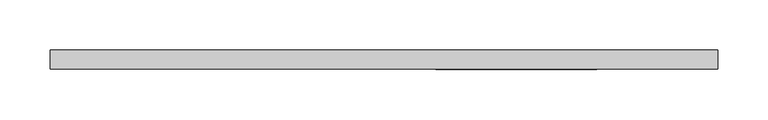
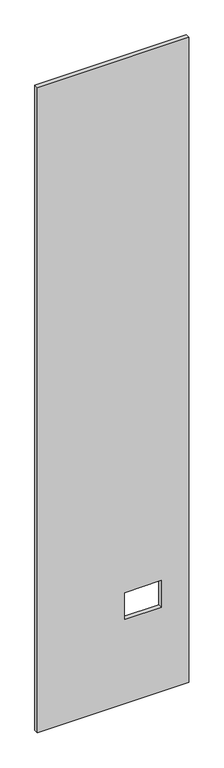
"""IFC4 building model written with IfcOpenShell, lengths in millimetres: proxy geometry."""

import ifcopenshell
import ifcopenshell.guid

model = None  # the IFC model being written
_history = None  # IfcOwnerHistory: only IFC2X3 demands one
_inside = {}  # id of a spatial element -> (the spatial element, [elements in it])
_under = {}  # id of a project, library or spatial element -> (it, [spatial elements below it])
_declared = {}  # id of a project -> (the project, [libraries it declares])
_typed = {}  # id of a type object -> (the type object, [elements of that type])
_made_of = {}  # id of a material, layer set ... -> (it, [elements and type objects made of it])


def new_model(schema):
    """Start an empty IFC model of exactly this schema.

    Asked for "IFC4X3", IfcOpenShell would pick the latest addendum, in which some entities
    have other attributes; the version numbers below select the first issue.
    IFC2X3 requires an IfcOwnerHistory on every rooted entity: one is made here for all.
    """
    global model, _history
    if schema == "IFC4X3":
        model = ifcopenshell.file(schema_version=(4, 3, 0, 0))
    else:
        model = ifcopenshell.file(schema=schema)
    _inside.clear()
    _under.clear()
    _declared.clear()
    _typed.clear()
    _made_of.clear()
    _history = None
    if model.schema == "IFC2X3":
        org = make("IfcOrganization", Name="unknown")
        user = make(
            "IfcPersonAndOrganization",
            ThePerson=make("IfcPerson", FamilyName="unknown"),
            TheOrganization=org,
        )
        app = make(
            "IfcApplication",
            ApplicationDeveloper=org,
            Version="unknown",
            ApplicationFullName="unknown",
            ApplicationIdentifier="unknown",
        )
        _history = make(
            "IfcOwnerHistory",
            OwningUser=user,
            OwningApplication=app,
            ChangeAction="ADDED",
            CreationDate=0,
        )
    return model


def make(cls, **values):
    """One entity of the class cls with the attributes given. An attribute that is None is left unset."""
    return model.create_entity(
        cls, **{name: value for name, value in values.items() if value is not None}
    )


def rooted(cls, **values):
    """An entity with a GlobalId (a new one), such as an element, a storey or a relation."""
    return make(cls, GlobalId=ifcopenshell.guid.new(), OwnerHistory=_history, **values)


def si_unit(unit_type, name, prefix=None):
    """IfcSIUnit, for example si_unit("LENGTHUNIT", "METRE", prefix="MILLI")."""
    return make("IfcSIUnit", UnitType=unit_type, Prefix=prefix, Name=name)


def assignment(units):
    """IfcUnitAssignment: the units of a project."""
    return None if units is None else make("IfcUnitAssignment", Units=units)


def point(xyz):
    """IfcCartesianPoint."""
    return None if xyz is None else make("IfcCartesianPoint", Coordinates=xyz)


def direction(xyz):
    """IfcDirection."""
    return None if xyz is None else make("IfcDirection", DirectionRatios=xyz)


def frame(location, z_axis=None, x_axis=None):
    """IfcAxis2Placement3D, a coordinate frame: its origin and axes. An axis left out is left unset."""
    return make(
        "IfcAxis2Placement3D",
        Location=point(location),
        Axis=direction(z_axis),
        RefDirection=direction(x_axis),
    )


def origin():
    """The frame at (0, 0, 0) with its axes left unset."""
    return frame((0.0, 0.0, 0.0))


def place(relative_to, where):
    """IfcLocalPlacement: puts the frame where relative to a parent placement (None: the world)."""
    return make(
        "IfcLocalPlacement", PlacementRelTo=relative_to, RelativePlacement=where
    )


def context(
    kind, dimensions, precision=None, world=None, true_north=None, identifier=None
):
    """IfcGeometricRepresentationContext, for example the 3D "Model" context."""
    return make(
        "IfcGeometricRepresentationContext",
        ContextIdentifier=identifier,
        ContextType=kind,
        CoordinateSpaceDimension=dimensions,
        Precision=precision,
        WorldCoordinateSystem=world,
        TrueNorth=true_north,
    )


def project(units=None, contexts=None):
    """IfcProject with its units and contexts."""
    return rooted(
        "IfcProject",
        Name="project",
        RepresentationContexts=contexts,
        UnitsInContext=assignment(units),
    )


def spatial(cls, under=None, at=None, **own):
    """A site, building, storey or space (cls), placed at a placement, below another one or the project."""
    s = rooted(cls, ObjectPlacement=at, **own)
    if under is not None:
        _under.setdefault(under.id(), (under, []))[1].append(s)
    return s


def polyline(points):
    """IfcPolyline through the points."""
    return make("IfcPolyline", Points=[point(p) for p in points])


def outline(outer, holes=None, kind="AREA"):
    """IfcArbitraryClosedProfileDef: a profile drawn as a closed curve; with holes, ...WithVoids."""
    if holes is None:
        return make("IfcArbitraryClosedProfileDef", ProfileType=kind, OuterCurve=outer)
    return make(
        "IfcArbitraryProfileDefWithVoids",
        ProfileType=kind,
        OuterCurve=outer,
        InnerCurves=holes,
    )


def extrude(swept, where, along, depth):
    """IfcExtrudedAreaSolid: the profile swept, set in the frame where, extruded along a direction by depth."""
    return make(
        "IfcExtrudedAreaSolid",
        SweptArea=swept,
        Position=where,
        ExtrudedDirection=direction(along),
        Depth=depth,
    )


def shape(context_of_items, identifier, shape_type, items):
    """IfcShapeRepresentation: the items that make up one representation, for example the "Body"."""
    return make(
        "IfcShapeRepresentation",
        ContextOfItems=context_of_items,
        RepresentationIdentifier=identifier,
        RepresentationType=shape_type,
        Items=items,
    )


def source(mapping_origin, context_of_items, identifier, shape_type, items):
    """IfcRepresentationMap: a shape defined once, which mapped items show again and again."""
    return make(
        "IfcRepresentationMap",
        MappingOrigin=mapping_origin,
        MappedRepresentation=shape(context_of_items, identifier, shape_type, items),
    )


def transform(
    local_origin,
    x_axis=None,
    y_axis=None,
    z_axis=None,
    scale=None,
    scale2=None,
    scale3=None,
    uniform=True,
):
    """IfcCartesianTransformationOperator3D, or its non-uniform kind. x_axis, y_axis, z_axis: its Axis1, 2, 3."""
    if uniform:
        return make(
            "IfcCartesianTransformationOperator3D",
            Axis1=direction(x_axis),
            Axis2=direction(y_axis),
            LocalOrigin=point(local_origin),
            Scale=scale,
            Axis3=direction(z_axis),
        )
    return make(
        "IfcCartesianTransformationOperator3DnonUniform",
        Axis1=direction(x_axis),
        Axis2=direction(y_axis),
        LocalOrigin=point(local_origin),
        Scale=scale,
        Axis3=direction(z_axis),
        Scale2=scale2,
        Scale3=scale3,
    )


def mapped(mapping_source, mapping_target):
    """IfcMappedItem: shows the shape of a source again, moved by a transform."""
    return make(
        "IfcMappedItem", MappingSource=mapping_source, MappingTarget=mapping_target
    )


def made_of(thing, what):
    """Note that an element or type object is made of a material, layer set ...; save() writes the relation."""
    if what is not None:
        _made_of.setdefault(what.id(), (what, []))[1].append(thing)
    return thing


def element(
    cls,
    number,
    at=None,
    inside=None,
    cuts=None,
    type_object=None,
    material=None,
    context=None,
    identifier="Body",
    shape_type=None,
    held_by="IfcProductDefinitionShape",
    body=None,
    shapes=None,
    **own,
):
    """One element of the class cls, such as IfcWall. Its Tag is "e" and its number.

    at: its placement. inside: the storey or other place that contains it. cuts: it is an
    opening in that element (IfcRelVoidsElement). A single representation is given by context,
    identifier, shape_type and body (its items); several are given by shapes. held_by: the class
    of the entity that holds the representations. save() writes the other relations.
    """
    e = rooted(cls, Tag="e%d" % number, ObjectPlacement=at, **own)
    if body is not None:
        shapes = [shape(context, identifier, shape_type, body)]
    if shapes is not None:
        e.Representation = make(held_by, Representations=shapes)
    if inside is not None:
        _inside.setdefault(inside.id(), (inside, []))[1].append(e)
    if cuts is not None:
        rooted(
            "IfcRelVoidsElement", RelatingBuildingElement=cuts, RelatedOpeningElement=e
        )
    if type_object is not None:
        _typed.setdefault(type_object.id(), (type_object, []))[1].append(e)
    return made_of(e, material)


def aggregate(whole, parts):
    """IfcRelAggregates: a whole, such as a stair, and the parts it consists of."""
    return rooted("IfcRelAggregates", RelatingObject=whole, RelatedObjects=parts)


def save(model, path):
    """Write the relations noted so far, then the file.

    IfcRelAggregates (storeys below a building ...), IfcRelContainedInSpatialStructure (elements
    in a storey), IfcRelDefinesByType, IfcRelAssociatesMaterial and IfcRelDeclares: one each for
    every whole, place, type object, material and project.
    """
    for whole, parts in _under.values():
        aggregate(whole, parts)
    for where, things in _inside.values():
        rooted(
            "IfcRelContainedInSpatialStructure",
            RelatedElements=things,
            RelatingStructure=where,
        )
    for kind, things in _typed.values():
        rooted("IfcRelDefinesByType", RelatedObjects=things, RelatingType=kind)
    for what, things in _made_of.values():
        rooted("IfcRelAssociatesMaterial", RelatedObjects=things, RelatingMaterial=what)
    for by, libraries in _declared.values():
        rooted("IfcRelDeclares", RelatingContext=by, RelatedDefinitions=libraries)
    model.write(path)


def specialty_equipment_023fe92a(model_context):
    return source(origin(), model_context, "Body", "SweptSolid", [
        extrude(outline(polyline([(2999.5368001, 332.4603284), (2999.5368001, -332.4603284), (3.175, -332.4603284), (3.175, 332.4603284), (2999.5368001, 332.4603284)]), holes=[polyline([(518.9474, 211.8868), (395.4526, 211.8868), (395.4526, 51.3588), (518.9474, 51.3588), (518.9474, 211.8868)])]), frame((0.0, -9.525, 0.0), z_axis=(0.0, 1.0, 0.0), x_axis=(0.0, 0.0, 1.0)), (0.0, 0.0, 1.0), 19.05),
    ])


if __name__ == "__main__":
    model = new_model("IFC4")
    model_context = context("Model", 3, world=origin())
    ifc_project = project(units=[si_unit("LENGTHUNIT", "METRE", prefix="MILLI")], contexts=[model_context])
    site = spatial("IfcSite", under=ifc_project)
    building = spatial("IfcBuilding", under=site)
    placement = place(None, origin())
    specialty_equipment_shape = specialty_equipment_023fe92a(model_context)
    element("IfcBuildingElementProxy", 1, Name="Specialty Equipment", at=placement, inside=building, context=model_context, shape_type="MappedRepresentation", body=[
        mapped(specialty_equipment_shape, transform((0.0, 0.0, 0.0), x_axis=(1.0, 0.0, 0.0), y_axis=(0.0, 1.0, 0.0), z_axis=(0.0, 0.0, 1.0))),
    ])
    save(model, "model.ifc")
